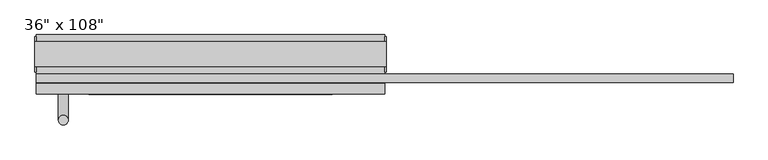
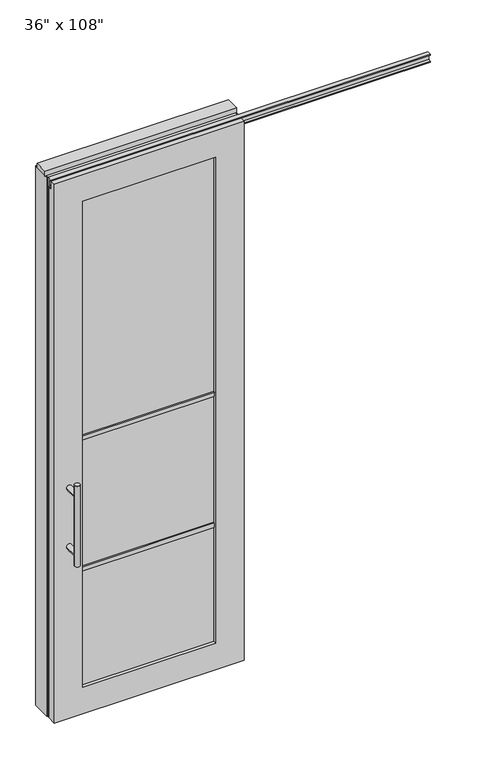
"""IFC4 building model written with IfcOpenShell, lengths in millimetres: furniture geometry."""

import ifcopenshell
import ifcopenshell.guid

model = None  # the IFC model being written
_history = None  # IfcOwnerHistory: only IFC2X3 demands one
_inside = {}  # id of a spatial element -> (the spatial element, [elements in it])
_under = {}  # id of a project, library or spatial element -> (it, [spatial elements below it])
_declared = {}  # id of a project -> (the project, [libraries it declares])
_typed = {}  # id of a type object -> (the type object, [elements of that type])
_made_of = {}  # id of a material, layer set ... -> (it, [elements and type objects made of it])


def new_model(schema):
    """Start an empty IFC model of exactly this schema.

    Asked for "IFC4X3", IfcOpenShell would pick the latest addendum, in which some entities
    have other attributes; the version numbers below select the first issue.
    IFC2X3 requires an IfcOwnerHistory on every rooted entity: one is made here for all.
    """
    global model, _history
    if schema == "IFC4X3":
        model = ifcopenshell.file(schema_version=(4, 3, 0, 0))
    else:
        model = ifcopenshell.file(schema=schema)
    _inside.clear()
    _under.clear()
    _declared.clear()
    _typed.clear()
    _made_of.clear()
    _history = None
    if model.schema == "IFC2X3":
        org = make("IfcOrganization", Name="unknown")
        user = make(
            "IfcPersonAndOrganization",
            ThePerson=make("IfcPerson", FamilyName="unknown"),
            TheOrganization=org,
        )
        app = make(
            "IfcApplication",
            ApplicationDeveloper=org,
            Version="unknown",
            ApplicationFullName="unknown",
            ApplicationIdentifier="unknown",
        )
        _history = make(
            "IfcOwnerHistory",
            OwningUser=user,
            OwningApplication=app,
            ChangeAction="ADDED",
            CreationDate=0,
        )
    return model


def make(cls, **values):
    """One entity of the class cls with the attributes given. An attribute that is None is left unset."""
    return model.create_entity(
        cls, **{name: value for name, value in values.items() if value is not None}
    )


def rooted(cls, **values):
    """An entity with a GlobalId (a new one), such as an element, a storey or a relation."""
    return make(cls, GlobalId=ifcopenshell.guid.new(), OwnerHistory=_history, **values)


def si_unit(unit_type, name, prefix=None):
    """IfcSIUnit, for example si_unit("LENGTHUNIT", "METRE", prefix="MILLI")."""
    return make("IfcSIUnit", UnitType=unit_type, Prefix=prefix, Name=name)


def assignment(units):
    """IfcUnitAssignment: the units of a project."""
    return None if units is None else make("IfcUnitAssignment", Units=units)


def point(xyz):
    """IfcCartesianPoint."""
    return None if xyz is None else make("IfcCartesianPoint", Coordinates=xyz)


def direction(xyz):
    """IfcDirection."""
    return None if xyz is None else make("IfcDirection", DirectionRatios=xyz)


def frame(location, z_axis=None, x_axis=None):
    """IfcAxis2Placement3D, a coordinate frame: its origin and axes. An axis left out is left unset."""
    return make(
        "IfcAxis2Placement3D",
        Location=point(location),
        Axis=direction(z_axis),
        RefDirection=direction(x_axis),
    )


def origin():
    """The frame at (0, 0, 0) with its axes left unset."""
    return frame((0.0, 0.0, 0.0))


def origin_with_axes():
    """The frame at (0, 0, 0) with the z axis (0, 0, 1) and the x axis (1, 0, 0) written out."""
    return frame((0.0, 0.0, 0.0), z_axis=(0.0, 0.0, 1.0), x_axis=(1.0, 0.0, 0.0))


def place(relative_to, where):
    """IfcLocalPlacement: puts the frame where relative to a parent placement (None: the world)."""
    return make(
        "IfcLocalPlacement", PlacementRelTo=relative_to, RelativePlacement=where
    )


def context(
    kind, dimensions, precision=None, world=None, true_north=None, identifier=None
):
    """IfcGeometricRepresentationContext, for example the 3D "Model" context."""
    return make(
        "IfcGeometricRepresentationContext",
        ContextIdentifier=identifier,
        ContextType=kind,
        CoordinateSpaceDimension=dimensions,
        Precision=precision,
        WorldCoordinateSystem=world,
        TrueNorth=true_north,
    )


def project(units=None, contexts=None):
    """IfcProject with its units and contexts."""
    return rooted(
        "IfcProject",
        Name="project",
        RepresentationContexts=contexts,
        UnitsInContext=assignment(units),
    )


def spatial(cls, under=None, at=None, **own):
    """A site, building, storey or space (cls), placed at a placement, below another one or the project."""
    s = rooted(cls, ObjectPlacement=at, **own)
    if under is not None:
        _under.setdefault(under.id(), (under, []))[1].append(s)
    return s


def polyline(points):
    """IfcPolyline through the points."""
    return make("IfcPolyline", Points=[point(p) for p in points])


def circle_curve(where, radius):
    """IfcCircle in the frame where."""
    return make("IfcCircle", Position=where, Radius=radius)


def ellipse_curve(where, semi_axis1, semi_axis2):
    """IfcEllipse in the frame where."""
    return make(
        "IfcEllipse", Position=where, SemiAxis1=semi_axis1, SemiAxis2=semi_axis2
    )


def outline(outer, holes=None, kind="AREA"):
    """IfcArbitraryClosedProfileDef: a profile drawn as a closed curve; with holes, ...WithVoids."""
    if holes is None:
        return make("IfcArbitraryClosedProfileDef", ProfileType=kind, OuterCurve=outer)
    return make(
        "IfcArbitraryProfileDefWithVoids",
        ProfileType=kind,
        OuterCurve=outer,
        InnerCurves=holes,
    )


def extrude(swept, where, along, depth):
    """IfcExtrudedAreaSolid: the profile swept, set in the frame where, extruded along a direction by depth."""
    return make(
        "IfcExtrudedAreaSolid",
        SweptArea=swept,
        Position=where,
        ExtrudedDirection=direction(along),
        Depth=depth,
    )


def faces_of(points, faces, orient=None, outer=None):
    """IfcFace entities. A face is a list of loops; a loop is a list of indices into points, from 0.

    orient and outer hold one flag for each loop. By default every Orientation is true, the
    first loop of a face is its IfcFaceOuterBound and the others are IfcFaceBound.
    """
    made = []
    for i, loops in enumerate(faces):
        bounds = []
        for j, loop in enumerate(loops):
            is_outer = j == 0 if outer is None else outer[i][j]
            bounds.append(
                make(
                    "IfcFaceOuterBound" if is_outer else "IfcFaceBound",
                    Bound=make("IfcPolyLoop", Polygon=[points[k] for k in loop]),
                    Orientation=True if orient is None else orient[i][j],
                )
            )
        made.append(make("IfcFace", Bounds=bounds))
    return made


def faceted_brep(points, faces, orient=None, outer=None, voids=None):
    """IfcFacetedBrep: a solid bounded by flat faces; with voids (closed shells), ...WithVoids."""
    shared = [point(p) for p in points]
    hull = make("IfcClosedShell", CfsFaces=faces_of(shared, faces, orient, outer))
    if voids is None:
        return make("IfcFacetedBrep", Outer=hull)
    return make(
        "IfcFacetedBrepWithVoids",
        Outer=hull,
        Voids=[
            make(cls, CfsFaces=faces_of(shared, fs, o, b)) for cls, fs, o, b in voids
        ],
    )


def shape(context_of_items, identifier, shape_type, items):
    """IfcShapeRepresentation: the items that make up one representation, for example the "Body"."""
    return make(
        "IfcShapeRepresentation",
        ContextOfItems=context_of_items,
        RepresentationIdentifier=identifier,
        RepresentationType=shape_type,
        Items=items,
    )


def source(mapping_origin, context_of_items, identifier, shape_type, items):
    """IfcRepresentationMap: a shape defined once, which mapped items show again and again."""
    return make(
        "IfcRepresentationMap",
        MappingOrigin=mapping_origin,
        MappedRepresentation=shape(context_of_items, identifier, shape_type, items),
    )


def transform(
    local_origin,
    x_axis=None,
    y_axis=None,
    z_axis=None,
    scale=None,
    scale2=None,
    scale3=None,
    uniform=True,
):
    """IfcCartesianTransformationOperator3D, or its non-uniform kind. x_axis, y_axis, z_axis: its Axis1, 2, 3."""
    if uniform:
        return make(
            "IfcCartesianTransformationOperator3D",
            Axis1=direction(x_axis),
            Axis2=direction(y_axis),
            LocalOrigin=point(local_origin),
            Scale=scale,
            Axis3=direction(z_axis),
        )
    return make(
        "IfcCartesianTransformationOperator3DnonUniform",
        Axis1=direction(x_axis),
        Axis2=direction(y_axis),
        LocalOrigin=point(local_origin),
        Scale=scale,
        Axis3=direction(z_axis),
        Scale2=scale2,
        Scale3=scale3,
    )


def mapped(mapping_source, mapping_target):
    """IfcMappedItem: shows the shape of a source again, moved by a transform."""
    return make(
        "IfcMappedItem", MappingSource=mapping_source, MappingTarget=mapping_target
    )


def made_of(thing, what):
    """Note that an element or type object is made of a material, layer set ...; save() writes the relation."""
    if what is not None:
        _made_of.setdefault(what.id(), (what, []))[1].append(thing)
    return thing


def element(
    cls,
    number,
    at=None,
    inside=None,
    cuts=None,
    type_object=None,
    material=None,
    context=None,
    identifier="Body",
    shape_type=None,
    held_by="IfcProductDefinitionShape",
    body=None,
    shapes=None,
    **own,
):
    """One element of the class cls, such as IfcWall. Its Tag is "e" and its number.

    at: its placement. inside: the storey or other place that contains it. cuts: it is an
    opening in that element (IfcRelVoidsElement). A single representation is given by context,
    identifier, shape_type and body (its items); several are given by shapes. held_by: the class
    of the entity that holds the representations. save() writes the other relations.
    """
    e = rooted(cls, Tag="e%d" % number, ObjectPlacement=at, **own)
    if body is not None:
        shapes = [shape(context, identifier, shape_type, body)]
    if shapes is not None:
        e.Representation = make(held_by, Representations=shapes)
    if inside is not None:
        _inside.setdefault(inside.id(), (inside, []))[1].append(e)
    if cuts is not None:
        rooted(
            "IfcRelVoidsElement", RelatingBuildingElement=cuts, RelatedOpeningElement=e
        )
    if type_object is not None:
        _typed.setdefault(type_object.id(), (type_object, []))[1].append(e)
    return made_of(e, material)


def aggregate(whole, parts):
    """IfcRelAggregates: a whole, such as a stair, and the parts it consists of."""
    return rooted("IfcRelAggregates", RelatingObject=whole, RelatedObjects=parts)


def save(model, path):
    """Write the relations noted so far, then the file.

    IfcRelAggregates (storeys below a building ...), IfcRelContainedInSpatialStructure (elements
    in a storey), IfcRelDefinesByType, IfcRelAssociatesMaterial and IfcRelDeclares: one each for
    every whole, place, type object, material and project.
    """
    for whole, parts in _under.values():
        aggregate(whole, parts)
    for where, things in _inside.values():
        rooted(
            "IfcRelContainedInSpatialStructure",
            RelatedElements=things,
            RelatingStructure=where,
        )
    for kind, things in _typed.values():
        rooted("IfcRelDefinesByType", RelatedObjects=things, RelatingType=kind)
    for what, things in _made_of.values():
        rooted("IfcRelAssociatesMaterial", RelatedObjects=things, RelatingMaterial=what)
    for by, libraries in _declared.values():
        rooted("IfcRelDeclares", RelatingContext=by, RelatedDefinitions=libraries)
    model.write(path)


def plane_surface(at):
    """IfcPlane: the flat surface through the origin of the frame at, square to its z axis."""
    return make("IfcPlane", Position=at)


def cylinder_surface(at, radius):
    """IfcCylindricalSurface: all points at the distance radius from the z axis of the frame at."""
    return make("IfcCylindricalSurface", Position=at, Radius=radius)


def advanced_brep(points, edges, surfaces, faces):
    """IfcAdvancedBrep: a solid bounded by faces that lie on surfaces and meet in shared edges.

    An edge is (start, end): straight between two places in points (the first is 0);
    or (start, end, curve); or (start, end, curve, False) where it runs against its curve.
    A face is (place in surfaces, loops), or (place, loops, False) where it looks against
    its surface's normal. A loop lists edges by number (the first is 1), with a minus sign
    where the edge is run from its end to its start. The first loop is the outer one.
    """
    corners = [point(p) for p in points]
    vertices = [make("IfcVertexPoint", VertexGeometry=c) for c in corners]
    made = []
    for start, end, *more in edges:
        made.append(
            make(
                "IfcEdgeCurve",
                EdgeStart=vertices[start],
                EdgeEnd=vertices[end],
                EdgeGeometry=more[0] if more else make("IfcPolyline", Points=[corners[start], corners[end]]),
                SameSense=more[1] if len(more) > 1 else True,
            )
        )
    hull = []
    for where, loops, *sense in faces:
        bounds = []
        for j, loop in enumerate(loops):
            ring = [make("IfcOrientedEdge", EdgeElement=made[abs(k) - 1], Orientation=k > 0) for k in loop]
            bounds.append(
                make(
                    "IfcFaceOuterBound" if j == 0 else "IfcFaceBound",
                    Bound=make("IfcEdgeLoop", EdgeList=ring),
                    Orientation=True,
                )
            )
        hull.append(make("IfcAdvancedFace", Bounds=bounds, FaceSurface=surfaces[where], SameSense=sense[0] if sense else True))
    return make("IfcAdvancedBrep", Outer=make("IfcClosedShell", CfsFaces=hull))


def furniture_76ba5cde(model_context):
    return source(origin(), model_context, "Body", "SolidModel", [
        advanced_brep(
        [(-456.0225229, 3.3562784, 1219.2), (-430.6225229, 3.3562784, 1219.2), (-456.0225229, 3.3562784, 812.8), (-430.6225229, 3.3562784, 812.8), (-430.6225229, 3.3562784, 1164.336), (-430.6225229, 3.3562784, 867.664), (-456.0225229, 3.3562784, 867.664), (-456.0225229, 3.3562784, 1164.336), (-456.0225229, -64.2077216, 1164.336), (-430.6225229, -64.2077216, 1164.336), (-456.0225229, -64.2077216, 867.664), (-430.6225229, -64.2077216, 867.664)],
        [
            (0, 1, circle_curve(frame((-443.3225229, 3.3562784, 1219.2), z_axis=(0.0, 0.0, 1.0), x_axis=(1.0, 0.0, 0.0)), 12.7)),
            (1, 0, circle_curve(frame((-443.3225229, 3.3562784, 1219.2), z_axis=(0.0, 0.0, 1.0), x_axis=(1.0, 0.0, 0.0)), 12.7)),
            (2, 3, circle_curve(frame((-443.3225229, 3.3562784, 812.8), z_axis=(0.0, 0.0, -1.0), x_axis=(1.0, 0.0, 0.0)), 12.7)),
            (3, 2, circle_curve(frame((-443.3225229, 3.3562784, 812.8), z_axis=(0.0, 0.0, -1.0), x_axis=(1.0, 0.0, 0.0)), 12.7)),
            (1, 4),
            (4, 5),
            (5, 3),
            (2, 6),
            (6, 7),
            (7, 0),
            (6, 5, ellipse_curve(frame((-443.3225229, 3.3562784, 867.664), z_axis=(0.0, 0.707106781186565, 0.70710678118653), x_axis=(0.0, -0.70710678118653, 0.707106781186565)), 17.9605122, 12.7)),
            (4, 7, ellipse_curve(frame((-443.3225229, 3.3562784, 1164.336), z_axis=(0.0, 0.70710678118653, -0.7071067811865649), x_axis=(0.0, 0.7071067811865648, 0.7071067811865301)), 17.9605122, 12.7)),
            (7, 4, ellipse_curve(frame((-443.3225229, 3.3562784, 1164.336), z_axis=(0.0, 0.707106781186565, 0.70710678118653), x_axis=(0.0, -0.70710678118653, 0.707106781186565)), 17.9605122, 12.7)),
            (5, 6, ellipse_curve(frame((-443.3225229, 3.3562784, 867.664), z_axis=(0.0, 0.70710678118653, -0.7071067811865649), x_axis=(0.0, 0.7071067811865648, 0.7071067811865301)), 17.9605122, 12.7)),
            (8, 9, circle_curve(frame((-443.3225229, -64.2077216, 1164.336), z_axis=(0.0, -1.0, 0.0), x_axis=(1.0, 0.0, 0.0)), 12.7)),
            (9, 8, circle_curve(frame((-443.3225229, -64.2077216, 1164.336), z_axis=(0.0, -1.0, 0.0), x_axis=(1.0, 0.0, 0.0)), 12.7)),
            (8, 7),
            (4, 9),
            (10, 11, circle_curve(frame((-443.3225229, -64.2077216, 867.664), z_axis=(0.0, -1.0, 0.0), x_axis=(1.0, 0.0, 0.0)), 12.7)),
            (11, 10, circle_curve(frame((-443.3225229, -64.2077216, 867.664), z_axis=(0.0, -1.0, 0.0), x_axis=(1.0, 0.0, 0.0)), 12.7)),
            (10, 6),
            (5, 11),
        ],
        [
            plane_surface(frame((-430.6225229, 3.3562784, 1219.2), z_axis=(0.0, 0.0, 1.0), x_axis=(0.0, -1.0, 0.0))),
            plane_surface(frame((-430.6225229, 3.3562784, 812.8), z_axis=(0.0, 0.0, -1.0), x_axis=(0.0, 1.0, 0.0))),
            cylinder_surface(frame((-443.3225229, 3.3562784, 812.8), z_axis=(0.0, 0.0, 1.0), x_axis=(1.0, 0.0, 0.0)), 12.7),
            plane_surface(frame((-430.6225229, -64.2077216, 1164.336), z_axis=(0.0, -1.0, 0.0), x_axis=(0.0, 0.0, -1.0))),
            cylinder_surface(frame((-443.3225229, -64.2077216, 1164.336), z_axis=(0.0, 1.0, 0.0), x_axis=(1.0, 0.0, 0.0)), 12.7),
            plane_surface(frame((-430.6225229, -64.2077216, 867.664), z_axis=(0.0, -1.0, 0.0), x_axis=(0.0, 0.0, -1.0))),
            cylinder_surface(frame((-443.3225229, -64.2077216, 867.664), z_axis=(0.0, 1.0, 0.0), x_axis=(1.0, 0.0, 0.0)), 12.7),
        ],
        [
            (0, [[1, 2]]),
            (1, [[3, 4]]),
            (2, [[5, 6, 7, -3, 8, 9, 10, -2]]),
            (2, [[-9, 11, -6, 12]]),
            (2, [[-10, 13, -5, -1]]),
            (2, [[-7, 14, -8, -4]]),
            (3, [[15, 16]]),
            (4, [[17, -12, 18, -15]]),
            (4, [[-18, -13, -17, -16]]),
            (5, [[19, 20]]),
            (6, [[21, -14, 22, -19]]),
            (6, [[-22, -11, -21, -20]]),
        ],
    ),
        advanced_brep(
        [(-456.0225229, -176.2217216, 1219.2), (-430.6225229, -176.2217216, 1219.2), (-456.0225229, -176.2217216, 812.8), (-430.6225229, -176.2217216, 812.8), (-456.0225229, -176.2217216, 1164.336), (-456.0225229, -176.2217216, 867.664), (-430.6225229, -176.2217216, 867.664), (-430.6225229, -176.2217216, 1164.336), (-456.0225229, -108.6577216, 1164.336), (-430.6225229, -108.6577216, 1164.336), (-456.0225229, -108.6577216, 867.664), (-430.6225229, -108.6577216, 867.664)],
        [
            (0, 1, circle_curve(frame((-443.3225229, -176.2217216, 1219.2), z_axis=(0.0, 0.0, 1.0), x_axis=(1.0, 0.0, 0.0)), 12.7)),
            (1, 0, circle_curve(frame((-443.3225229, -176.2217216, 1219.2), z_axis=(0.0, 0.0, 1.0), x_axis=(1.0, 0.0, 0.0)), 12.7)),
            (2, 3, circle_curve(frame((-443.3225229, -176.2217216, 812.8), z_axis=(0.0, 0.0, -1.0), x_axis=(1.0, 0.0, 0.0)), 12.7)),
            (3, 2, circle_curve(frame((-443.3225229, -176.2217216, 812.8), z_axis=(0.0, 0.0, -1.0), x_axis=(1.0, 0.0, 0.0)), 12.7)),
            (0, 4),
            (4, 5),
            (5, 2),
            (3, 6),
            (6, 7),
            (7, 1),
            (7, 4, ellipse_curve(frame((-443.3225229, -176.2217216, 1164.336), z_axis=(0.0, -0.707106781186565, 0.70710678118653), x_axis=(0.0, 0.70710678118653, 0.707106781186565)), 17.9605122, 12.7)),
            (5, 6, ellipse_curve(frame((-443.3225229, -176.2217216, 867.664), z_axis=(0.0, -0.70710678118653, -0.7071067811865649), x_axis=(0.0, -0.7071067811865648, 0.7071067811865301)), 17.9605122, 12.7)),
            (4, 7, ellipse_curve(frame((-443.3225229, -176.2217216, 1164.336), z_axis=(0.0, -0.70710678118653, -0.7071067811865649), x_axis=(0.0, -0.7071067811865648, 0.7071067811865301)), 17.9605122, 12.7)),
            (6, 5, ellipse_curve(frame((-443.3225229, -176.2217216, 867.664), z_axis=(0.0, -0.707106781186565, 0.70710678118653), x_axis=(0.0, 0.70710678118653, 0.707106781186565)), 17.9605122, 12.7)),
            (8, 9, circle_curve(frame((-443.3225229, -108.6577216, 1164.336), z_axis=(0.0, 1.0, 0.0), x_axis=(1.0, 0.0, 0.0)), 12.7)),
            (9, 8, circle_curve(frame((-443.3225229, -108.6577216, 1164.336), z_axis=(0.0, 1.0, 0.0), x_axis=(1.0, 0.0, 0.0)), 12.7)),
            (9, 7),
            (4, 8),
            (10, 11, circle_curve(frame((-443.3225229, -108.6577216, 867.664), z_axis=(0.0, 1.0, 0.0), x_axis=(1.0, 0.0, 0.0)), 12.7)),
            (11, 10, circle_curve(frame((-443.3225229, -108.6577216, 867.664), z_axis=(0.0, 1.0, 0.0), x_axis=(1.0, 0.0, 0.0)), 12.7)),
            (11, 6),
            (5, 10),
        ],
        [
            plane_surface(frame((-430.6225229, -176.2217216, 1219.2), z_axis=(0.0, 0.0, 1.0), x_axis=(0.0, 1.0, 0.0))),
            plane_surface(frame((-430.6225229, -176.2217216, 812.8), z_axis=(0.0, 0.0, -1.0), x_axis=(0.0, -1.0, 0.0))),
            cylinder_surface(frame((-443.3225229, -176.2217216, 812.8), z_axis=(0.0, 0.0, 1.0), x_axis=(1.0, 0.0, 0.0)), 12.7),
            plane_surface(frame((-430.6225229, -108.6577216, 1164.336), z_axis=(0.0, 1.0, 0.0), x_axis=(0.0, 0.0, -1.0))),
            cylinder_surface(frame((-443.3225229, -108.6577216, 1164.336), z_axis=(0.0, -1.0, 0.0), x_axis=(1.0, 0.0, 0.0)), 12.7),
            plane_surface(frame((-430.6225229, -108.6577216, 867.664), z_axis=(0.0, 1.0, 0.0), x_axis=(0.0, 0.0, -1.0))),
            cylinder_surface(frame((-443.3225229, -108.6577216, 867.664), z_axis=(0.0, -1.0, 0.0), x_axis=(1.0, 0.0, 0.0)), 12.7),
        ],
        [
            (0, [[1, 2]]),
            (1, [[3, 4]]),
            (2, [[-1, 5, 6, 7, -4, 8, 9, 10]]),
            (2, [[-2, -10, 11, -5]]),
            (2, [[-3, -7, 12, -8]]),
            (2, [[13, -9, 14, -6]]),
            (3, [[15, 16]]),
            (4, [[-16, 17, -13, 18]]),
            (4, [[-15, -18, -11, -17]]),
            (5, [[19, 20]]),
            (6, [[-20, 21, -12, 22]]),
            (6, [[-19, -22, -14, -21]]),
        ],
    ),
        extrude(outline(polyline([(-377.2825229, -97.5452216), (-377.2825229, -75.3202216), (257.2094771, -75.3202216), (257.2094771, -97.5452216), (-377.2825229, -97.5452216)])), frame((0.0, 0.0, 1371.6), z_axis=(0.0, 0.0, 1.0), x_axis=(1.0, 0.0, 0.0)), (0.0, 0.0, 1.0), 22.225),
        extrude(outline(polyline([(-377.2825229, -97.5452216), (-377.2825229, -75.3202216), (257.2094771, -75.3202216), (257.2094771, -97.5452216), (-377.2825229, -97.5452216)])), frame((0.0, 0.0, 711.2), z_axis=(0.0, 0.0, 1.0), x_axis=(1.0, 0.0, 0.0)), (0.0, 0.0, 1.0), 22.225),
        extrude(outline(polyline([(257.2094771, -91.5127216), (-377.2825229, -91.5127216), (-377.2825229, -81.3527216), (257.2094771, -81.3527216), (257.2094771, -91.5127216)])), frame((0.0, 0.0, 132.969), z_axis=(0.0, 0.0, 1.0), x_axis=(1.0, 0.0, 0.0)), (0.0, 0.0, 1.0), 2451.862),
        extrude(outline(polyline([(-77.9237216, 2681.478), (-77.9237216, 2686.812), (-65.2237216, 2686.812), (-65.2237216, 2715.768), (-77.9237216, 2715.768), (-77.9237216, 2721.102), (-56.2067216, 2721.102), (-56.2067216, 2681.478), (-77.9237216, 2681.478)])), frame((-513.2995229, 0.0, 0.0), z_axis=(1.0, 0.0, 0.0), x_axis=(0.0, 1.0, 0.0)), (0.0, 0.0, 1.0), 1813.052),
        faceted_brep([(-513.2995229, -108.6577216, 0.0), (393.2264771, -108.6577216, 0.0), (393.2264771, -108.6577216, 2717.8), (-513.2995229, -108.6577216, 2717.8), (257.2094771, -108.6577216, 2584.831), (257.2094771, -108.6577216, 132.969), (-377.2825229, -108.6577216, 132.969), (-377.2825229, -108.6577216, 2584.831), (-513.2995229, -81.2257216, 2717.8), (393.2264771, -81.2257216, 2717.8), (393.2264771, -81.2257216, 2673.223), (-513.2995229, -81.2257216, 2673.223), (-513.2995229, -64.2077216, 2673.223), (-513.2995229, -64.2077216, 0.0), (393.2264771, -64.2077216, 0.0), (393.2264771, -64.2077216, 2673.223), (257.2094771, -64.2077216, 2584.831), (-377.2825229, -64.2077216, 2584.831), (-377.2825229, -64.2077216, 132.969), (257.2094771, -64.2077216, 132.969)], [[[0, 1, 2, 3], [4, 5, 6, 7]], [[8, 9, 10, 11]], [[0, 3, 8, 11, 12, 13]], [[2, 1, 14, 15, 10, 9]], [[3, 2, 9, 8]], [[15, 14, 13, 12], [16, 17, 18, 19]], [[15, 12, 11, 10]], [[1, 0, 13, 14]], [[5, 4, 16, 19]], [[6, 5, 19, 18]], [[7, 6, 18, 17]], [[4, 7, 17, 16]]]),
        extrude(outline(polyline([(-513.2995229, -55.3177216), (-513.2995229, 46.2822784), (393.2264771, 46.2822784), (393.2264771, -55.3177216), (-513.2995229, -55.3177216)])), frame((0.0, 0.0, 2654.3), z_axis=(0.0, 0.0, 1.0), x_axis=(1.0, 0.0, 0.0)), (0.0, 0.0, 1.0), 22.225),
        extrude(outline(polyline([(397.1634771, -50.3647216), (393.2264771, -50.3647216), (393.2264771, 41.3292784), (397.1634771, 41.3292784), (397.1634771, -50.3647216)])), origin_with_axes(), (0.0, 0.0, 1.0), 2717.8),
        extrude(outline(polyline([(-517.2365229, -50.3647216), (-517.2365229, 41.3292784), (-513.2995229, 41.3292784), (-513.2995229, -50.3647216), (-517.2365229, -50.3647216)])), origin_with_axes(), (0.0, 0.0, 1.0), 2717.8),
        extrude(outline(polyline([(371.0014771, -55.3177216), (371.0014771, 46.2822784), (393.2264771, 46.2822784), (393.2264771, -55.3177216), (371.0014771, -55.3177216)])), origin_with_axes(), (0.0, 0.0, 1.0), 2654.3),
        extrude(outline(polyline([(-491.0745229, -55.3177216), (-513.2995229, -55.3177216), (-513.2995229, 46.2822784), (-491.0745229, 46.2822784), (-491.0745229, -55.3177216)])), origin_with_axes(), (0.0, 0.0, 1.0), 2654.3),
        extrude(outline(polyline([(-55.3177216, 2681.478), (-55.3177216, 2717.8), (46.2822784, 2717.8), (46.2822784, 2681.478), (41.3292784, 2681.478), (41.3292784, 2676.525), (-50.3647216, 2676.525), (-50.3647216, 2681.478), (-55.3177216, 2681.478)])), frame((-513.2995229, 0.0, 0.0), z_axis=(1.0, 0.0, 0.0), x_axis=(0.0, 1.0, 0.0)), (0.0, 0.0, 1.0), 906.526),
        extrude(outline(polyline([(-517.2365229, -37.0297216), (-517.2365229, 27.9942784), (397.1634771, 27.9942784), (397.1634771, -37.0297216), (-517.2365229, -37.0297216)])), frame((0.0, 0.0, 2717.8), z_axis=(0.0, 0.0, 1.0), x_axis=(1.0, 0.0, 0.0)), (0.0, 0.0, 1.0), 25.4),
    ])


if __name__ == "__main__":
    model = new_model("IFC4")
    model_context = context("Model", 3, world=origin())
    ifc_project = project(units=[si_unit("LENGTHUNIT", "METRE", prefix="MILLI")], contexts=[model_context])
    site = spatial("IfcSite", under=ifc_project)
    building = spatial("IfcBuilding", under=site)
    placement = place(None, origin())
    furniture_shape = furniture_76ba5cde(model_context)
    element("IfcFurniture", 1, ObjectType="36\" x 108\"", at=placement, inside=building, context=model_context, shape_type="MappedRepresentation", body=[
        mapped(furniture_shape, transform((0.0, 0.0, 0.0), x_axis=(1.0, 0.0, 0.0), y_axis=(0.0, 1.0, 0.0), z_axis=(0.0, 0.0, 1.0))),
    ])
    save(model, "model.ifc")
